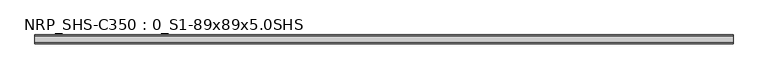
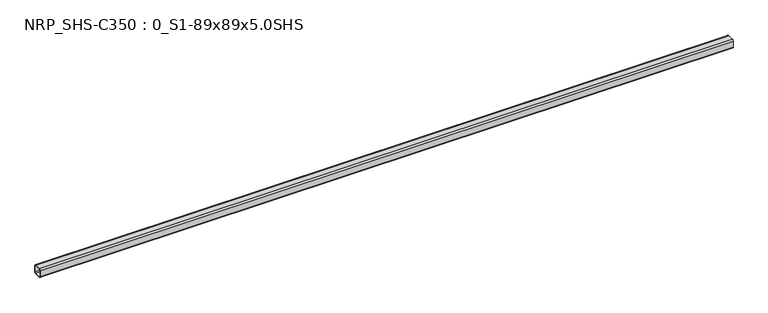
"""IFC4 building model written with IfcOpenShell, lengths in millimetres: beam geometry, NRP_SHS-C350 : 0_S1-89x89x5.0SHS."""

from ifc_helpers import new_model, si_unit, point, frame, frame_2d, origin, place, context, project, spatial, polyline, circle_curve, trimmed, segment, composite_curve, outline, extrude, source, transform, mapped, element, save


def nrp_shs_c350_0_s1_89x89x5_0shs_2bb71675(model_context):
    return source(origin(), model_context, "Body", "SweptSolid", [
        extrude(outline(composite_curve([segment(trimmed(circle_curve(frame_2d((-32.0, 32.0)), 12.5), [point((-44.5, 32.0))], [point((-32.0, 44.5))], False, "CARTESIAN"), True, "CONTINUOUS"), segment(polyline([(-32.0, 44.5), (32.0, 44.5)]), True, "CONTINUOUS"), segment(trimmed(circle_curve(frame_2d((32.0, 32.0)), 12.5), [point((32.0, 44.5))], [point((44.5, 32.0))], False, "CARTESIAN"), True, "CONTINUOUS"), segment(polyline([(44.5, 32.0), (44.5, -32.0)]), True, "CONTINUOUS"), segment(trimmed(circle_curve(frame_2d((32.0, -32.0)), 12.5), [point((44.5, -32.0))], [point((32.0, -44.5))], False, "CARTESIAN"), True, "CONTINUOUS"), segment(polyline([(32.0, -44.5), (-32.0, -44.5)]), True, "CONTINUOUS"), segment(trimmed(circle_curve(frame_2d((-32.0, -32.0)), 12.5), [point((-32.0, -44.5))], [point((-44.5, -32.0))], False, "CARTESIAN"), True, "CONTINUOUS"), segment(polyline([(-44.5, -32.0), (-44.5, 32.0)]), True, "CONTINUOUS")], self_intersect=False), holes=[composite_curve([segment(polyline([(32.0, 39.5), (-32.0, 39.5)]), True, "CONTINUOUS"), segment(trimmed(circle_curve(frame_2d((-32.0, 32.0)), 7.5), [point((-32.0, 39.5))], [point((-39.5, 32.0))], True, "CARTESIAN"), True, "CONTINUOUS"), segment(polyline([(-39.5, 32.0), (-39.5, -32.0)]), True, "CONTINUOUS"), segment(trimmed(circle_curve(frame_2d((-32.0, -32.0)), 7.5), [point((-39.5, -32.0))], [point((-32.0, -39.5))], True, "CARTESIAN"), True, "CONTINUOUS"), segment(polyline([(-32.0, -39.5), (32.0, -39.5)]), True, "CONTINUOUS"), segment(trimmed(circle_curve(frame_2d((32.0, -32.0)), 7.5), [point((32.0, -39.5))], [point((39.5, -32.0))], True, "CARTESIAN"), True, "CONTINUOUS"), segment(polyline([(39.5, -32.0), (39.5, 32.0)]), True, "CONTINUOUS"), segment(trimmed(circle_curve(frame_2d((32.0, 32.0)), 7.5), [point((39.5, 32.0))], [point((32.0, 39.5))], True, "CARTESIAN"), True, "CONTINUOUS")], self_intersect=False)]), frame((-3439.0, 0.0, 0.0), z_axis=(1.0, 0.0, 0.0), x_axis=(0.0, 1.0, 0.0)), (0.0, 0.0, 1.0), 6891.0),
    ])


if __name__ == "__main__":
    model = new_model("IFC4")
    model_context = context("Model", 3, world=origin())
    ifc_project = project(units=[si_unit("LENGTHUNIT", "METRE", prefix="MILLI")], contexts=[model_context])
    site = spatial("IfcSite", under=ifc_project)
    building = spatial("IfcBuilding", under=site)
    placement = place(None, origin())
    nrp_shs_c350_0_s1_89x89x5_0shs_shape = nrp_shs_c350_0_s1_89x89x5_0shs_2bb71675(model_context)
    element("IfcBeam", 1, ObjectType="NRP_SHS-C350 : 0_S1-89x89x5.0SHS", at=placement, inside=building, context=model_context, shape_type="MappedRepresentation", body=[
        mapped(nrp_shs_c350_0_s1_89x89x5_0shs_shape, transform((0.0, 0.0, 0.0), x_axis=(1.0, 0.0, 0.0), y_axis=(0.0, 1.0, 0.0), z_axis=(0.0, 0.0, 1.0))),
    ])
    save(model, "model.ifc")
